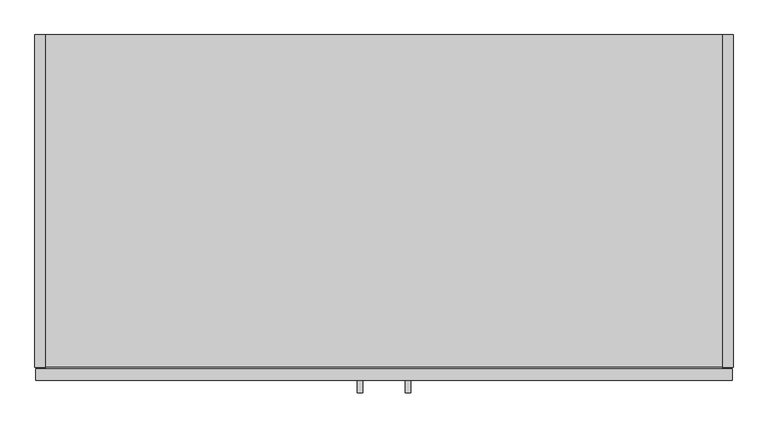
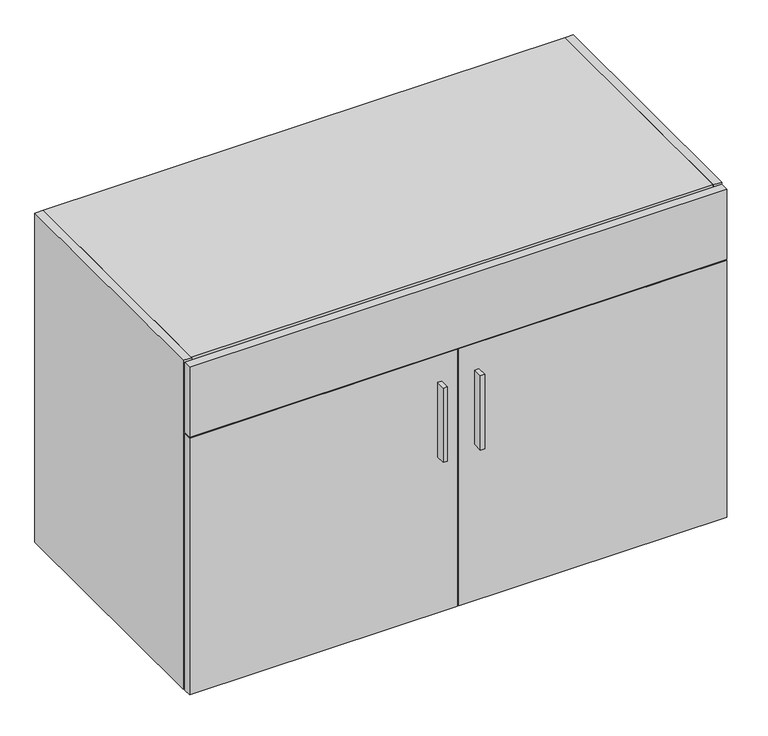
"""IFC4 building model written with IfcOpenShell, lengths in millimetres: furniture geometry."""

import ifcopenshell
import ifcopenshell.guid

model = None  # the IFC model being written
_history = None  # IfcOwnerHistory: only IFC2X3 demands one
_inside = {}  # id of a spatial element -> (the spatial element, [elements in it])
_under = {}  # id of a project, library or spatial element -> (it, [spatial elements below it])
_declared = {}  # id of a project -> (the project, [libraries it declares])
_typed = {}  # id of a type object -> (the type object, [elements of that type])
_made_of = {}  # id of a material, layer set ... -> (it, [elements and type objects made of it])


def new_model(schema):
    """Start an empty IFC model of exactly this schema.

    Asked for "IFC4X3", IfcOpenShell would pick the latest addendum, in which some entities
    have other attributes; the version numbers below select the first issue.
    IFC2X3 requires an IfcOwnerHistory on every rooted entity: one is made here for all.
    """
    global model, _history
    if schema == "IFC4X3":
        model = ifcopenshell.file(schema_version=(4, 3, 0, 0))
    else:
        model = ifcopenshell.file(schema=schema)
    _inside.clear()
    _under.clear()
    _declared.clear()
    _typed.clear()
    _made_of.clear()
    _history = None
    if model.schema == "IFC2X3":
        org = make("IfcOrganization", Name="unknown")
        user = make(
            "IfcPersonAndOrganization",
            ThePerson=make("IfcPerson", FamilyName="unknown"),
            TheOrganization=org,
        )
        app = make(
            "IfcApplication",
            ApplicationDeveloper=org,
            Version="unknown",
            ApplicationFullName="unknown",
            ApplicationIdentifier="unknown",
        )
        _history = make(
            "IfcOwnerHistory",
            OwningUser=user,
            OwningApplication=app,
            ChangeAction="ADDED",
            CreationDate=0,
        )
    return model


def make(cls, **values):
    """One entity of the class cls with the attributes given. An attribute that is None is left unset."""
    return model.create_entity(
        cls, **{name: value for name, value in values.items() if value is not None}
    )


def rooted(cls, **values):
    """An entity with a GlobalId (a new one), such as an element, a storey or a relation."""
    return make(cls, GlobalId=ifcopenshell.guid.new(), OwnerHistory=_history, **values)


def si_unit(unit_type, name, prefix=None):
    """IfcSIUnit, for example si_unit("LENGTHUNIT", "METRE", prefix="MILLI")."""
    return make("IfcSIUnit", UnitType=unit_type, Prefix=prefix, Name=name)


def assignment(units):
    """IfcUnitAssignment: the units of a project."""
    return None if units is None else make("IfcUnitAssignment", Units=units)


def point(xyz):
    """IfcCartesianPoint."""
    return None if xyz is None else make("IfcCartesianPoint", Coordinates=xyz)


def direction(xyz):
    """IfcDirection."""
    return None if xyz is None else make("IfcDirection", DirectionRatios=xyz)


def frame(location, z_axis=None, x_axis=None):
    """IfcAxis2Placement3D, a coordinate frame: its origin and axes. An axis left out is left unset."""
    return make(
        "IfcAxis2Placement3D",
        Location=point(location),
        Axis=direction(z_axis),
        RefDirection=direction(x_axis),
    )


def origin():
    """The frame at (0, 0, 0) with its axes left unset."""
    return frame((0.0, 0.0, 0.0))


def place(relative_to, where):
    """IfcLocalPlacement: puts the frame where relative to a parent placement (None: the world)."""
    return make(
        "IfcLocalPlacement", PlacementRelTo=relative_to, RelativePlacement=where
    )


def context(
    kind, dimensions, precision=None, world=None, true_north=None, identifier=None
):
    """IfcGeometricRepresentationContext, for example the 3D "Model" context."""
    return make(
        "IfcGeometricRepresentationContext",
        ContextIdentifier=identifier,
        ContextType=kind,
        CoordinateSpaceDimension=dimensions,
        Precision=precision,
        WorldCoordinateSystem=world,
        TrueNorth=true_north,
    )


def project(units=None, contexts=None):
    """IfcProject with its units and contexts."""
    return rooted(
        "IfcProject",
        Name="project",
        RepresentationContexts=contexts,
        UnitsInContext=assignment(units),
    )


def spatial(cls, under=None, at=None, **own):
    """A site, building, storey or space (cls), placed at a placement, below another one or the project."""
    s = rooted(cls, ObjectPlacement=at, **own)
    if under is not None:
        _under.setdefault(under.id(), (under, []))[1].append(s)
    return s


def polyline(points):
    """IfcPolyline through the points."""
    return make("IfcPolyline", Points=[point(p) for p in points])


def outline(outer, holes=None, kind="AREA"):
    """IfcArbitraryClosedProfileDef: a profile drawn as a closed curve; with holes, ...WithVoids."""
    if holes is None:
        return make("IfcArbitraryClosedProfileDef", ProfileType=kind, OuterCurve=outer)
    return make(
        "IfcArbitraryProfileDefWithVoids",
        ProfileType=kind,
        OuterCurve=outer,
        InnerCurves=holes,
    )


def extrude(swept, where, along, depth):
    """IfcExtrudedAreaSolid: the profile swept, set in the frame where, extruded along a direction by depth."""
    return make(
        "IfcExtrudedAreaSolid",
        SweptArea=swept,
        Position=where,
        ExtrudedDirection=direction(along),
        Depth=depth,
    )


def shape(context_of_items, identifier, shape_type, items):
    """IfcShapeRepresentation: the items that make up one representation, for example the "Body"."""
    return make(
        "IfcShapeRepresentation",
        ContextOfItems=context_of_items,
        RepresentationIdentifier=identifier,
        RepresentationType=shape_type,
        Items=items,
    )


def source(mapping_origin, context_of_items, identifier, shape_type, items):
    """IfcRepresentationMap: a shape defined once, which mapped items show again and again."""
    return make(
        "IfcRepresentationMap",
        MappingOrigin=mapping_origin,
        MappedRepresentation=shape(context_of_items, identifier, shape_type, items),
    )


def transform(
    local_origin,
    x_axis=None,
    y_axis=None,
    z_axis=None,
    scale=None,
    scale2=None,
    scale3=None,
    uniform=True,
):
    """IfcCartesianTransformationOperator3D, or its non-uniform kind. x_axis, y_axis, z_axis: its Axis1, 2, 3."""
    if uniform:
        return make(
            "IfcCartesianTransformationOperator3D",
            Axis1=direction(x_axis),
            Axis2=direction(y_axis),
            LocalOrigin=point(local_origin),
            Scale=scale,
            Axis3=direction(z_axis),
        )
    return make(
        "IfcCartesianTransformationOperator3DnonUniform",
        Axis1=direction(x_axis),
        Axis2=direction(y_axis),
        LocalOrigin=point(local_origin),
        Scale=scale,
        Axis3=direction(z_axis),
        Scale2=scale2,
        Scale3=scale3,
    )


def mapped(mapping_source, mapping_target):
    """IfcMappedItem: shows the shape of a source again, moved by a transform."""
    return make(
        "IfcMappedItem", MappingSource=mapping_source, MappingTarget=mapping_target
    )


def made_of(thing, what):
    """Note that an element or type object is made of a material, layer set ...; save() writes the relation."""
    if what is not None:
        _made_of.setdefault(what.id(), (what, []))[1].append(thing)
    return thing


def element(
    cls,
    number,
    at=None,
    inside=None,
    cuts=None,
    type_object=None,
    material=None,
    context=None,
    identifier="Body",
    shape_type=None,
    held_by="IfcProductDefinitionShape",
    body=None,
    shapes=None,
    **own,
):
    """One element of the class cls, such as IfcWall. Its Tag is "e" and its number.

    at: its placement. inside: the storey or other place that contains it. cuts: it is an
    opening in that element (IfcRelVoidsElement). A single representation is given by context,
    identifier, shape_type and body (its items); several are given by shapes. held_by: the class
    of the entity that holds the representations. save() writes the other relations.
    """
    e = rooted(cls, Tag="e%d" % number, ObjectPlacement=at, **own)
    if body is not None:
        shapes = [shape(context, identifier, shape_type, body)]
    if shapes is not None:
        e.Representation = make(held_by, Representations=shapes)
    if inside is not None:
        _inside.setdefault(inside.id(), (inside, []))[1].append(e)
    if cuts is not None:
        rooted(
            "IfcRelVoidsElement", RelatingBuildingElement=cuts, RelatedOpeningElement=e
        )
    if type_object is not None:
        _typed.setdefault(type_object.id(), (type_object, []))[1].append(e)
    return made_of(e, material)


def aggregate(whole, parts):
    """IfcRelAggregates: a whole, such as a stair, and the parts it consists of."""
    return rooted("IfcRelAggregates", RelatingObject=whole, RelatedObjects=parts)


def save(model, path):
    """Write the relations noted so far, then the file.

    IfcRelAggregates (storeys below a building ...), IfcRelContainedInSpatialStructure (elements
    in a storey), IfcRelDefinesByType, IfcRelAssociatesMaterial and IfcRelDeclares: one each for
    every whole, place, type object, material and project.
    """
    for whole, parts in _under.values():
        aggregate(whole, parts)
    for where, things in _inside.values():
        rooted(
            "IfcRelContainedInSpatialStructure",
            RelatedElements=things,
            RelatingStructure=where,
        )
    for kind, things in _typed.values():
        rooted("IfcRelDefinesByType", RelatedObjects=things, RelatingType=kind)
    for what, things in _made_of.values():
        rooted("IfcRelAssociatesMaterial", RelatedObjects=things, RelatingMaterial=what)
    for by, libraries in _declared.values():
        rooted("IfcRelDeclares", RelatingContext=by, RelatedDefinitions=libraries)
    model.write(path)


def furniture_fe274489(model_context):
    return source(origin(), model_context, "Body", "SweptSolid", [
        extrude(outline(polyline([(572.1338631, -625.729), (562.6088631, -625.729), (562.6088631, -603.504), (572.1338631, -603.504), (572.1338631, -625.729)])), frame((0.0, 0.0, 475.2467), z_axis=(0.0, 0.0, 1.0), x_axis=(1.0, 0.0, 0.0)), (0.0, 0.0, 1.0), 177.8),
        extrude(outline(polyline([(656.5888631, -625.729), (647.0638631, -625.729), (647.0638631, -603.504), (656.5888631, -603.504), (656.5888631, -625.729)])), frame((0.0, 0.0, 475.2467), z_axis=(0.0, 0.0, 1.0), x_axis=(1.0, 0.0, 0.0)), (0.0, 0.0, 1.0), 177.8),
        extrude(outline(polyline([(1199.896, 0.0), (1199.896, -19.304), (19.304, -19.304), (19.304, 0.0), (1199.896, 0.0)])), frame((0.0, 0.0, 120.904), z_axis=(0.0, 0.0, 1.0), x_axis=(1.0, 0.0, 0.0)), (0.0, 0.0, 1.0), 748.792),
        extrude(outline(polyline([(1199.896, -580.0344), (19.304, -580.0344), (19.304, 0.0), (1199.896, 0.0), (1199.896, -580.0344)])), frame((0.0, 0.0, 869.696), z_axis=(0.0, 0.0, 1.0), x_axis=(1.0, 0.0, 0.0)), (0.0, 0.0, 1.0), 19.304),
        extrude(outline(polyline([(19.304, 0.0), (19.304, -581.025), (0.0, -581.025), (0.0, 0.0), (19.304, 0.0)])), frame((0.0, 0.0, 101.6), z_axis=(0.0, 0.0, 1.0), x_axis=(1.0, 0.0, 0.0)), (0.0, 0.0, 1.0), 787.4),
        extrude(outline(polyline([(1199.896, 0.0), (1219.2, 0.0), (1219.2, -581.025), (1199.896, -581.025), (1199.896, 0.0)])), frame((0.0, 0.0, 101.6), z_axis=(0.0, 0.0, 1.0), x_axis=(1.0, 0.0, 0.0)), (0.0, 0.0, 1.0), 787.4),
        extrude(outline(polyline([(1199.896, 0.0), (1199.896, -580.0344), (19.304, -580.0344), (19.304, 0.0), (1199.896, 0.0)])), frame((0.0, 0.0, 101.6), z_axis=(0.0, 0.0, 1.0), x_axis=(1.0, 0.0, 0.0)), (0.0, 0.0, 1.0), 19.304),
        extrude(outline(polyline([(1217.6125, -603.504), (611.1875, -603.504), (611.1875, -584.2), (1217.6125, -584.2), (1217.6125, -603.504)])), frame((0.0, 0.0, 101.6), z_axis=(0.0, 0.0, 1.0), x_axis=(1.0, 0.0, 0.0)), (0.0, 0.0, 1.0), 614.9467),
        extrude(outline(polyline([(608.0125, -603.504), (1.5875, -603.504), (1.5875, -584.2), (608.0125, -584.2), (608.0125, -603.504)])), frame((0.0, 0.0, 101.6), z_axis=(0.0, 0.0, 1.0), x_axis=(1.0, 0.0, 0.0)), (0.0, 0.0, 1.0), 614.9467),
        extrude(outline(polyline([(1217.6125, -603.504), (1.5875, -603.504), (1.5875, -584.2), (1217.6125, -584.2), (1217.6125, -603.504)])), frame((0.0, 0.0, 718.1342), z_axis=(0.0, 0.0, 1.0), x_axis=(1.0, 0.0, 0.0)), (0.0, 0.0, 1.0), 167.6908),
    ])


if __name__ == "__main__":
    model = new_model("IFC4")
    model_context = context("Model", 3, world=origin())
    ifc_project = project(units=[si_unit("LENGTHUNIT", "METRE", prefix="MILLI")], contexts=[model_context])
    site = spatial("IfcSite", under=ifc_project)
    building = spatial("IfcBuilding", under=site)
    placement = place(None, origin())
    furniture_shape = furniture_fe274489(model_context)
    element("IfcFurniture", 1, at=placement, inside=building, context=model_context, shape_type="MappedRepresentation", body=[
        mapped(furniture_shape, transform((0.0, 0.0, 0.0), x_axis=(1.0, 0.0, 0.0), y_axis=(0.0, 1.0, 0.0), z_axis=(0.0, 0.0, 1.0))),
    ])
    save(model, "model.ifc")
